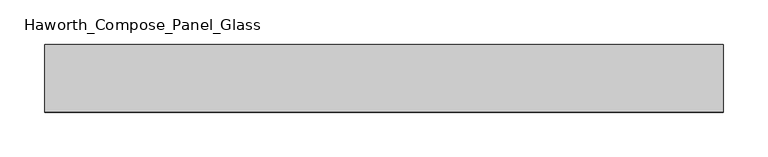
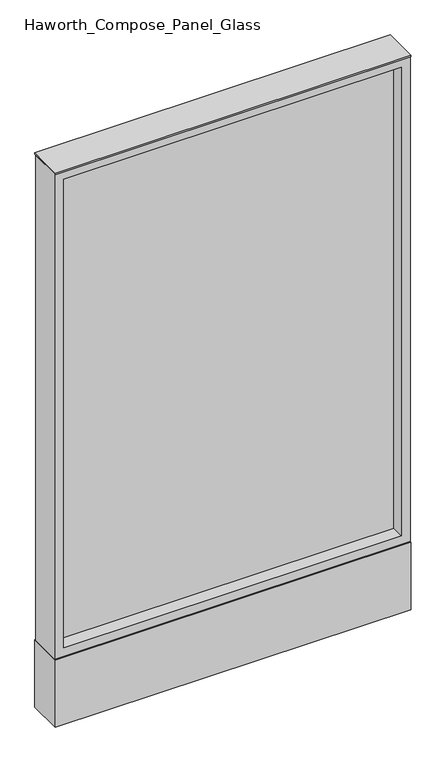
"""IFC4 building model written with IfcOpenShell, lengths in millimetres: furniture geometry, Haworth_Compose_Panel_Glass."""

from ifc_helpers import new_model, si_unit, point, frame, frame_2d, origin, origin_with_axes, place, context, project, spatial, polyline, circle_curve, trimmed, segment, composite_curve, outline, extrude, source, transform, mapped, element, save


def haworth_compose_panel_glass_796b093b(model_context):
    return source(origin(), model_context, "Body", "SweptSolid", [
        extrude(outline(composite_curve([segment(trimmed(circle_curve(frame_2d((307.2402902, 0.0)), 12.7), [point((294.5402902, 0.0))], [point((319.9402902, 0.0))], False, "CARTESIAN"), True, "CONTINUOUS"), segment(trimmed(circle_curve(frame_2d((307.2402902, 0.0)), 12.7), [point((319.9402902, 0.0))], [point((294.5402902, 0.0))], False, "CARTESIAN"), True, "CONTINUOUS")], self_intersect=False)), origin_with_axes(), (0.0, 0.0, 1.0), 12.7),
        extrude(outline(composite_curve([segment(trimmed(circle_curve(frame_2d((-302.3597098, 0.0)), 12.7), [point((-315.0597098, 0.0))], [point((-289.6597098, 0.0))], False, "CARTESIAN"), True, "CONTINUOUS"), segment(trimmed(circle_curve(frame_2d((-302.3597098, 0.0)), 12.7), [point((-289.6597098, 0.0))], [point((-315.0597098, 0.0))], False, "CARTESIAN"), True, "CONTINUOUS")], self_intersect=False)), origin_with_axes(), (0.0, 0.0, 1.0), 12.7),
        extrude(outline(polyline([(364.3902902, -6.35), (-359.5097098, -6.35), (-359.5097098, 6.35), (364.3902902, 6.35), (364.3902902, -6.35)])), frame((0.0, 0.0, 184.15), z_axis=(0.0, 0.0, 1.0), x_axis=(1.0, 0.0, 0.0)), (0.0, 0.0, 1.0), 1060.45),
        extrude(outline(polyline([(1263.65, -378.5597098), (165.1, -378.5597098), (165.1, 383.4402902), (1263.65, 383.4402902), (1263.65, -378.5597098)]), holes=[polyline([(1244.6, 364.3902902), (184.15, 364.3902902), (184.15, -359.5097098), (1244.6, -359.5097098), (1244.6, 364.3902902)])]), frame((0.0, -34.925, 0.0), z_axis=(0.0, 1.0, 0.0), x_axis=(0.0, 0.0, 1.0)), (0.0, 0.0, 1.0), 69.85),
        extrude(outline(polyline([(-378.5597098, 38.1), (383.4402902, 38.1), (383.4402902, -38.1), (-378.5597098, -38.1), (-378.5597098, 38.1)])), frame((0.0, 0.0, 12.7), z_axis=(0.0, 0.0, 1.0), x_axis=(1.0, 0.0, 0.0)), (0.0, 0.0, 1.0), 152.4),
        extrude(outline(polyline([(-378.5597098, -38.1), (-378.5597098, 38.1), (383.4402902, 38.1), (383.4402902, -38.1), (-378.5597098, -38.1)])), frame((0.0, 0.0, 1263.65), z_axis=(0.0, 0.0, 1.0), x_axis=(1.0, 0.0, 0.0)), (0.0, 0.0, 1.0), 3.175),
    ])


if __name__ == "__main__":
    model = new_model("IFC4")
    model_context = context("Model", 3, world=origin())
    ifc_project = project(units=[si_unit("LENGTHUNIT", "METRE", prefix="MILLI")], contexts=[model_context])
    site = spatial("IfcSite", under=ifc_project)
    building = spatial("IfcBuilding", under=site)
    placement = place(None, origin())
    haworth_compose_panel_glass_shape = haworth_compose_panel_glass_796b093b(model_context)
    element("IfcFurniture", 1, ObjectType="Haworth_Compose_Panel_Glass", at=placement, inside=building, context=model_context, shape_type="MappedRepresentation", body=[
        mapped(haworth_compose_panel_glass_shape, transform((0.0, 0.0, 0.0), x_axis=(1.0, 0.0, 0.0), y_axis=(0.0, 1.0, 0.0), z_axis=(0.0, 0.0, 1.0))),
    ])
    save(model, "model.ifc")
